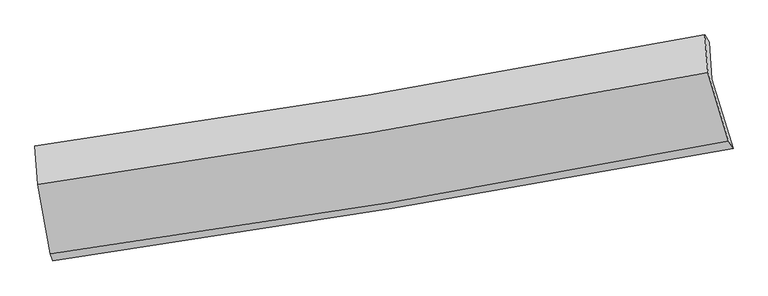
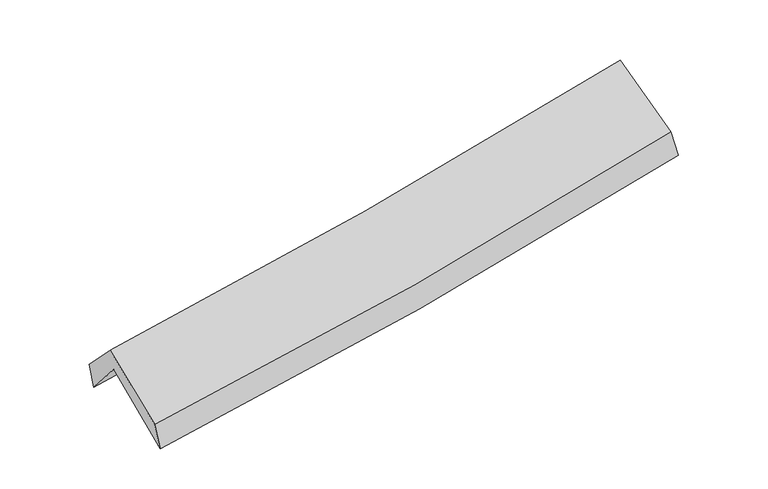
"""IFC4 building model written with IfcOpenShell, lengths in millimetres: proxy geometry."""

from ifc_helpers import new_model, si_unit, frame, origin, place, context, project, spatial, source, transform, mapped, element, save
from ifc_brep_helpers import plane_surface, spline_curve, spline_surface, advanced_brep


def generic_models_3286e11d(model_context):
    return source(origin(), model_context, "Body", "AdvancedBrep", [
        advanced_brep(
        [(-2282.0737262, -2471.8610818, 1490.098403), (-2375.5630113, -1969.1088812, 1914.1276523), (2320.0672503, -1202.887848, 2355.1811206), (2469.9027319, -1686.86271, 1924.0924543), (-2391.1806718, -1709.3238815, 1602.6690338), (2304.4511149, -943.1282153, 2043.7529148), (-2407.9608141, -1669.5774585, 1788.5757016), (2272.7355921, -891.5260992, 2221.5546881), (-2389.0239399, -1938.3904515, 2065.7962567), (2293.802006, -1156.1796709, 2495.6625641), (-2300.2695964, -2423.7357044, 1680.7611936), (2436.858678, -1632.8039734, 2108.8398359)],
        [
            (0, 1),
            (1, 2, spline_curve(3, [(-2375.5630113, -1969.1088812, 1914.1276523), (-1594.999535107, -1857.365103262, 1971.871469465), (-816.213105252, -1738.15412657, 2037.179106784), (749.048780759, -1482.964775755, 2183.97645301), (1535.4724381, -1346.768741358, 2265.6866383), (2320.0672503, -1202.887848, 2355.1811206)], [4, 2, 4], [0.0, 7.830088082642682, 15.773475455137497])),
            (2, 3),
            (3, 0, spline_curve(3, [(2469.9027319, -1686.86271, 1924.0924543), (1677.9895853, -1833.579710386, 1824.53923012), (883.169830765, -1972.770950463, 1738.432565566), (-700.904646703, -2234.223920514, 1594.148732118), (-1490.07704458, -2356.698804073, 1535.590712852), (-2282.0737262, -2471.8610818, 1490.098403)], [4, 2, 4], [0.0, 7.943387372494815, 15.773475455137497])),
            (1, 4),
            (4, 5, spline_curve(3, [(-2391.1806718, -1709.3238815, 1602.6690338), (-1610.490097388, -1599.694262582, 1662.947535258), (-831.639536554, -1481.550041762, 1729.534116352), (733.624693095, -1226.399677198, 1876.378203375), (1519.984728048, -1089.145342586, 1956.819582889), (2304.4511149, -943.1282153, 2043.7529148)], [4, 2, 4], [0.0, 7.782571226350263, 15.677754186293123])),
            (5, 2),
            (4, 6),
            (6, 7, spline_curve(3, [(-2407.9608141, -1669.5774585, 1788.5757016), (-1629.382038572, -1560.827564801, 1846.975692759), (-852.821760994, -1442.152533842, 1911.95053208), (707.469211327, -1183.091386961, 2056.085211646), (1491.141069164, -1042.41596484, 2135.436701205), (2272.7355921, -891.5260992, 2221.5546881)], [4, 2, 4], [0.0, 7.771794142532807, 15.656044077124692])),
            (7, 5),
            (6, 8),
            (8, 9, spline_curve(3, [(-2389.0239399, -1938.3904515, 2065.7962567), (-1610.26957874, -1825.571874884, 2120.006333145), (-833.445956364, -1704.50623319, 2182.615490501), (727.55230448, -1444.009698769, 2325.659435992), (1511.67066409, -1304.338413681, 2406.339048188), (2293.802006, -1156.1796709, 2495.6625641)], [4, 2, 4], [0.0, 7.7629306628924954, 15.638188865653511])),
            (9, 7),
            (8, 10),
            (10, 11, spline_curve(3, [(-2300.2695964, -2423.7357044, 1680.7611936), (-1509.823884595, -2317.154806661, 1730.601873129), (-722.652178419, -2198.51406366, 1790.863799678), (856.486013034, -1935.221683822, 1933.252913021), (1648.357065116, -1790.218516575, 2015.683867445), (2436.858678, -1632.8039734, 2108.8398359)], [4, 2, 4], [0.0, 7.8098504201683845, 15.73270729660103])),
            (11, 9),
            (10, 0),
            (3, 11),
        ],
        [
            spline_surface(3, 3, [[(-2282.0737262, -2471.8610818, 1490.098403), (-1490.077044671, -2356.69880416, 1535.590712868), (-700.904646628, -2234.223920454, 1594.148732108), (883.169830688, -1972.770950524, 1738.432565576), (1677.989585287, -1833.579710268, 1824.539230138), (2469.9027319, -1686.86271, 1924.0924543)], [(-2313.236821218, -2304.277014919, 1631.441486099), (-1525.051208141, -2190.254237219, 1681.017631695), (-739.340799518, -2068.867322493, 1741.825523662), (838.46281404, -1809.502225581, 1886.947194692), (1630.483869548, -1671.309387296, 1971.588366192), (2419.957571353, -1525.537755971, 2067.788676397)], [(-2344.399916282, -2136.692948081, 1772.784569201), (-1560.025371658, -2023.809670321, 1826.444550524), (-777.776952376, -1903.510724561, 1889.502315265), (793.755797422, -1646.233500668, 2035.461823857), (1582.97815385, -1509.039064411, 2118.637502254), (2370.012410847, -1364.212802029, 2211.484898503)], [(-2375.5630113, -1969.1088812, 1914.1276523), (-1594.999535128, -1857.36510338, 1971.87146935), (-816.213105266, -1738.1541266, 2037.17910682), (749.048780773, -1482.964775725, 2183.976452973), (1535.472438111, -1346.76874144, 2265.686638308), (2320.0672503, -1202.887848, 2355.1811206)]], [4, 4], [4, 2, 4], [0.0, 2.2153257889690976], [0.0, 7.830088082642682, 15.773475455137497]),
            spline_surface(3, 3, [[(-2375.5630113, -1969.1088812, 1914.1276523), (-1594.999535128, -1857.36510338, 1971.87146935), (-816.213105266, -1738.1541266, 2037.17910682), (749.048780773, -1482.964775725, 2183.976452973), (1535.472438111, -1346.76874144, 2265.686638308), (2320.0672503, -1202.887848, 2355.1811206)], [(-2380.76889812, -1882.513881298, 1810.308112786), (-1600.163055868, -1771.474823111, 1868.896824668), (-821.355249056, -1652.619431667, 1934.630776657), (743.907418237, -1397.443076214, 2081.44370314), (1530.30986807, -1260.894275154, 2162.730953155), (2314.861871816, -1116.301303782, 2251.371718684)], [(-2385.97478498, -1795.918881402, 1706.488573314), (-1605.326576649, -1685.58454285, 1765.922180027), (-826.49739284, -1567.084736717, 1832.082446455), (738.766055708, -1311.921376686, 1978.910953268), (1525.147298082, -1175.019808821, 2059.775267949), (2309.656493384, -1029.714759518, 2147.562316716)], [(-2391.1806718, -1709.3238815, 1602.6690338), (-1610.490097389, -1599.694262581, 1662.947535344), (-831.63953663, -1481.550041784, 1729.534116292), (733.624693172, -1226.399677175, 1876.378203436), (1519.98472804, -1089.145342535, 1956.819582796), (2304.4511149, -943.1282153, 2043.7529148)]], [4, 4], [4, 2, 4], [0.0, 1.3152220055216814], [0.0, 7.782571226350263, 15.677754186293123]),
            spline_surface(3, 3, [[(-2391.1806718, -1709.3238815, 1602.6690338), (-1610.490097389, -1599.694262581, 1662.947535344), (-831.63953663, -1481.550041784, 1729.534116292), (733.624693172, -1226.399677175, 1876.378203436), (1519.98472804, -1089.145342535, 1956.819582796), (2304.4511149, -943.1282153, 2043.7529148)], [(-2396.774052599, -1696.075073839, 1664.637923081), (-1616.787411118, -1586.738696673, 1724.290254499), (-838.700278081, -1468.417539131, 1790.339588206), (724.906199219, -1211.963580446, 1936.280539505), (1510.370175103, -1073.568883319, 2016.35862226), (2293.879273981, -925.92750994, 2103.020172544)], [(-2402.367433301, -1682.826266161, 1726.606812319), (-1623.08472475, -1573.783130747, 1785.632973611), (-845.76101953, -1455.285036473, 1851.145060145), (716.187705268, -1197.527483713, 1996.182875599), (1500.755622121, -1057.992424084, 2075.897661792), (2283.307433019, -908.72680456, 2162.287430356)], [(-2407.9608141, -1669.5774585, 1788.5757016), (-1629.382038478, -1560.827564839, 1846.975692766), (-852.821760981, -1442.152533819, 1911.950532058), (707.469211314, -1183.091386984, 2056.085211668), (1491.141069184, -1042.415964868, 2135.436701257), (2272.7355921, -891.5260992, 2221.5546881)]], [4, 4], [4, 2, 4], [0.0, 0.6142326778991127], [0.0, 7.771794142532807, 15.656044077124692]),
            spline_surface(3, 3, [[(-2407.9608141, -1669.5774585, 1788.5757016), (-1629.382038478, -1560.827564839, 1846.975692766), (-852.821760981, -1442.152533819, 1911.950532058), (707.469211314, -1183.091386984, 2056.085211668), (1491.141069184, -1042.415964868, 2135.436701257), (2272.7355921, -891.5260992, 2221.5546881)], [(-2401.648522683, -1759.181789524, 1880.982553283), (-1623.011218525, -1649.075668234, 1937.985906251), (-846.36315942, -1529.603766949, 2002.172184836), (714.163575695, -1270.064157565, 2145.943286467), (1497.984267471, -1129.723447783, 2225.737483537), (2279.757730057, -979.743956433, 2312.923980106)], [(-2395.336231317, -1848.786120476, 1973.389405017), (-1616.640398623, -1737.323771557, 2028.996119788), (-839.904557881, -1617.05500009, 2092.393837633), (720.857940054, -1357.036928157, 2235.801361284), (1504.827465787, -1217.0309307, 2316.038265799), (2286.779868043, -1067.961813667, 2404.293272094)], [(-2389.0239399, -1938.3904515, 2065.7962567), (-1610.26957867, -1825.571874951, 2120.006333274), (-833.44595632, -1704.50623322, 2182.615490411), (727.552304435, -1444.009698738, 2325.659436083), (1511.670664074, -1304.338413615, 2406.33904808), (2293.802006, -1156.1796709, 2495.6625641)]], [4, 4], [4, 2, 4], [0.0, 1.2354360192277734], [0.0, 7.7629306628924954, 15.638188865653511]),
            spline_surface(3, 3, [[(-2389.0239399, -1938.3904515, 2065.7962567), (-1610.26957867, -1825.571874951, 2120.006333274), (-833.44595632, -1704.50623322, 2182.615490411), (727.552304435, -1444.009698738, 2325.659436083), (1511.670664074, -1304.338413615, 2406.33904808), (2293.802006, -1156.1796709, 2495.6625641)], [(-2359.439158733, -2100.172202463, 1937.451235671), (-1576.787680645, -1989.432852207, 1990.204846561), (-796.514697071, -1869.175510034, 2052.031593476), (770.530207302, -1607.747027107, 2194.85726176), (1557.232797777, -1466.29844794, 2276.120654528), (2341.487563348, -1315.054438405, 2366.721654716)], [(-2329.854377567, -2261.953953437, 1809.106214629), (-1543.305782622, -2153.293829474, 1860.403359834), (-759.583437746, -2033.844786836, 1921.447696531), (813.508110246, -1771.484355464, 2064.055087428), (1602.794931434, -1628.25848225, 2145.902260929), (2389.173120652, -1473.929205895, 2237.780745284)], [(-2300.2695964, -2423.7357044, 1680.7611936), (-1509.823884598, -2317.154806729, 1730.601873121), (-722.652178497, -2198.51406365, 1790.863799595), (856.486013113, -1935.221683832, 1933.252913105), (1648.357065137, -1790.218516574, 2015.683867377), (2436.858678, -1632.8039734, 2108.8398359)]], [4, 4], [4, 2, 4], [0.0, 2.102739741077396], [0.0, 7.8098504201683845, 15.73270729660103]),
            spline_surface(3, 3, [[(-2300.2695964, -2423.7357044, 1680.7611936), (-1509.823884598, -2317.154806729, 1730.601873121), (-722.652178497, -2198.51406365, 1790.863799595), (856.486013113, -1935.221683832, 1933.252913105), (1648.357065137, -1790.218516574, 2015.683867377), (2436.858678, -1632.8039734, 2108.8398359)], [(-2294.204306347, -2439.777496857, 1617.20693008), (-1503.241604636, -2330.336139197, 1665.59815305), (-715.403001176, -2210.417349254, 1725.292110447), (865.380619003, -1947.738106066, 1868.312797277), (1658.234571865, -1804.672247808, 1951.968988283), (2447.873362644, -1650.823552269, 2047.257375353)], [(-2288.139016253, -2455.819289343, 1553.65266652), (-1496.659324633, -2343.517471693, 1600.594432939), (-708.153823949, -2222.320634849, 1659.720421256), (874.275224798, -1960.25452829, 1803.372681404), (1668.112078559, -1819.125979034, 1888.254109232), (2458.888047256, -1668.843131131, 1985.674914847)], [(-2282.0737262, -2471.8610818, 1490.098403), (-1490.077044671, -2356.69880416, 1535.590712868), (-700.904646628, -2234.223920454, 1594.148732108), (883.169830688, -1972.770950524, 1738.432565576), (1677.989585287, -1833.579710268, 1824.539230138), (2469.9027319, -1686.86271, 1924.0924543)]], [4, 4], [4, 2, 4], [0.0, 0.6582183565092045], [0.0, 7.866145112527579, 15.846111250529805]),
            plane_surface(frame((2349.6362289, -1252.2314195, 2191.5139296), z_axis=(0.9733242681377172, 0.19783030131135304, 0.11620258575968233), x_axis=(0.22696895434642458, -0.7561962543316906, -0.6137200654187638))),
            plane_surface(frame((-2357.6786266, -2030.3329098, 1757.0047069), z_axis=(-0.9892996318905378, -0.13255440811933572, -0.06095545282728178), x_axis=(-0.09213903006279098, 0.24369406650922107, 0.9654654841511878))),
        ],
        [
            (0, [[1, 2, 3, 4]]),
            (1, [[5, 6, 7, -2]]),
            (2, [[8, 9, 10, -6]]),
            (3, [[11, 12, 13, -9]]),
            (4, [[14, 15, 16, -12]]),
            (5, [[17, -4, 18, -15]]),
            (6, [[-16, -18, -3, -7, -10, -13]]),
            (7, [[-17, -14, -11, -8, -5, -1]]),
        ],
    ),
    ])


if __name__ == "__main__":
    model = new_model("IFC4")
    model_context = context("Model", 3, world=origin())
    ifc_project = project(units=[si_unit("LENGTHUNIT", "METRE", prefix="MILLI")], contexts=[model_context])
    site = spatial("IfcSite", under=ifc_project)
    building = spatial("IfcBuilding", under=site)
    placement = place(None, origin())
    generic_models_shape = generic_models_3286e11d(model_context)
    element("IfcBuildingElementProxy", 1, Name="Generic Models", at=placement, inside=building, context=model_context, shape_type="MappedRepresentation", body=[
        mapped(generic_models_shape, transform((0.0, 0.0, 0.0), x_axis=(1.0, 0.0, 0.0), y_axis=(0.0, 1.0, 0.0), z_axis=(0.0, 0.0, 1.0))),
    ])
    save(model, "model.ifc")
